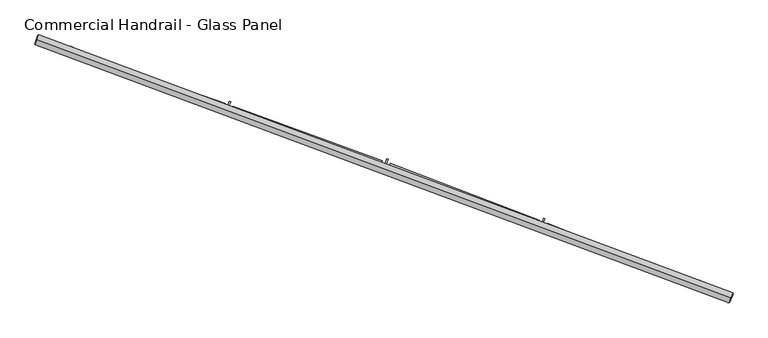
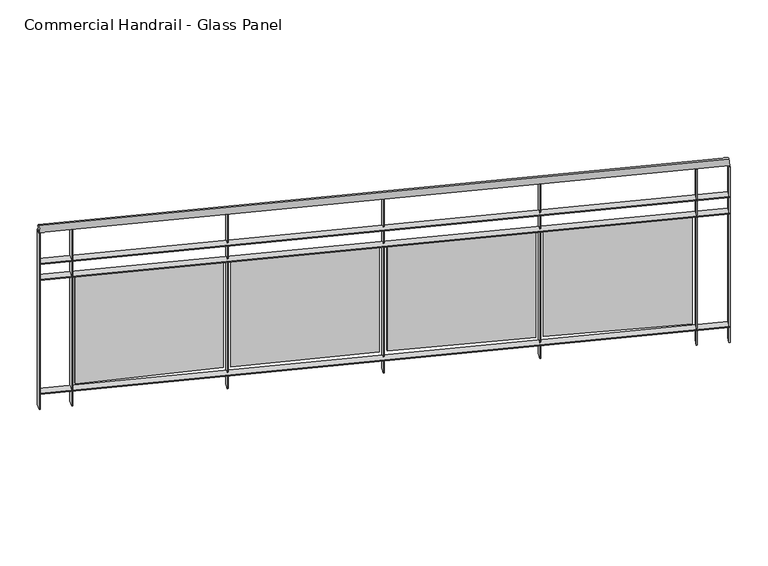
"""IFC4 building model written with IfcOpenShell, lengths in millimetres: railing geometry, Commercial Handrail - Glass Panel."""

from ifc_helpers import new_model, si_unit, point, frame, origin, place, context, project, spatial, polyline, circle_curve, ellipse_curve, trimmed, outline, extrude, source, transform, mapped, element, save
from ifc_brep_helpers import plane_surface, cylinder_surface, revolved_surface, advanced_brep


def commercial_handrail_glass_panel_bff54254(model_context):
    return source(origin(), model_context, "Body", "SolidModel", [
        advanced_brep(
        [(154688.5443704, -12503.5611776, 6082.5), (151378.1394206, -11272.5411914, 6082.5), (151378.1394206, -11272.5411914, 6117.5), (154688.5443704, -12503.5611776, 6117.5)],
        [
            (0, 1, circle_curve(frame((133423.8827296, -64620.9486284, 6082.5), z_axis=(0.0, 0.0, 1.0), x_axis=(0.31896783130581285, 0.9477655419944674, 0.0)), 56288.6126085)),
            (1, 2, ellipse_curve(frame((151378.1394206, -11272.5411914, 6100.0), z_axis=(0.9477655419944653, -0.3189678313058192, 0.0), x_axis=(-0.3189678313058192, -0.9477655419944653, 0.0)), 25.0, 17.5)),
            (2, 3, circle_curve(frame((133423.8827296, -64620.9486284, 6117.5), z_axis=(0.0, 0.0, -1.0), x_axis=(0.31896783130581285, 0.9477655419944674, 0.0)), 56288.6126085)),
            (3, 0, ellipse_curve(frame((154688.5443704, -12503.5611776, 6100.0), z_axis=(-0.9258957546749953, 0.37777910407382376, 0.0), x_axis=(-0.37777910407382376, -0.9258957546749953, 0.0)), 25.0, 17.5)),
            (2, 1, ellipse_curve(frame((151378.1394206, -11272.5411914, 6100.0), z_axis=(0.9477655419944653, -0.3189678313058192, 0.0), x_axis=(-0.3189678313058192, -0.9477655419944653, 0.0)), 25.0, 17.5)),
            (0, 3, ellipse_curve(frame((154688.5443704, -12503.5611776, 6100.0), z_axis=(-0.9258957546749953, 0.37777910407382376, 0.0), x_axis=(-0.37777910407382376, -0.9258957546749953, 0.0)), 25.0, 17.5)),
        ],
        [
            revolved_surface(trimmed(ellipse_curve(frame((151378.1394206, -11272.5411914, 6100.0), z_axis=(-0.9477655419944674, 0.31896783130581285, 0.0), x_axis=(0.0, 0.0, -1.0)), 17.5, 25.0), [point((151378.1394206, -11272.5411914, 6117.5))], [point((151378.1394206, -11272.5411914, 6082.5))], True, "CARTESIAN"), (133423.8827296, -64620.9486284, 6100.0), (0.0, 0.0, -1.0)),
            revolved_surface(trimmed(ellipse_curve(frame((151378.1394206, -11272.5411914, 6100.0), z_axis=(-0.9477655419944674, 0.31896783130581285, 0.0), x_axis=(0.0, 0.0, -1.0)), 17.5, 25.0), [point((151378.1394206, -11272.5411914, 6082.5))], [point((151378.1394206, -11272.5411914, 6117.5))], True, "CARTESIAN"), (133423.8827296, -64620.9486284, 6100.0), (0.0, 0.0, -1.0)),
            plane_surface(frame((151378.1394206, -11272.5411914, 6100.0), z_axis=(-0.9477655419944674, 0.31896783130581285, 0.0), x_axis=(0.31896783130581285, 0.9477655419944674, 0.0))),
            plane_surface(frame((154688.5443704, -12503.5611776, 6100.0), z_axis=(0.9258957546749954, -0.3777791040738237, 0.0), x_axis=(0.3777791040738237, 0.9258957546749954, 0.0))),
        ],
        [
            (0, [[1, 2, 3, 4]]),
            (1, [[-3, 5, -1, 6]]),
            (2, [[-2, -5]]),
            (3, [[-6, -4]]),
        ],
    ),
        advanced_brep(
        [(154697.0444003, -12482.7285231, 5900.0), (151385.3161968, -11251.2164667, 5900.0), (151370.9626444, -11293.865916, 5900.0), (154680.0443406, -12524.3938321, 5900.0), (154697.0444003, -12482.7285231, 5894.0), (151385.3161968, -11251.2164667, 5894.0), (154680.0443406, -12524.3938321, 5894.0), (151370.9626444, -11293.865916, 5894.0)],
        [
            (0, 1, circle_curve(frame((133423.8827296, -64620.9486284, 5900.0), z_axis=(0.0, 0.0, 1.0), x_axis=(0.31896783130581285, 0.9477655419944674, 0.0)), 56311.1126085)),
            (1, 2),
            (2, 3, circle_curve(frame((133423.8827296, -64620.9486284, 5900.0), z_axis=(0.0, 0.0, -1.0), x_axis=(0.31896783130581285, 0.9477655419944674, 0.0)), 56266.1126085)),
            (3, 0),
            (4, 5, circle_curve(frame((133423.8827296, -64620.9486284, 5894.0), z_axis=(0.0, 0.0, 1.0), x_axis=(0.31896783130581285, 0.9477655419944674, 0.0)), 56311.1126085)),
            (5, 1),
            (0, 4),
            (6, 7, circle_curve(frame((133423.8827296, -64620.9486284, 5894.0), z_axis=(0.0, 0.0, 1.0), x_axis=(0.31896783130581285, 0.9477655419944674, 0.0)), 56266.1126085)),
            (7, 5),
            (4, 6),
            (2, 7),
            (6, 3),
        ],
        [
            plane_surface(frame((133423.8827296, -64620.9486284, 5900.0), z_axis=(0.0, 0.0, 1.0), x_axis=(0.31896783130581285, 0.9477655419944674, 0.0))),
            cylinder_surface(frame((133423.8827296, -64620.9486284, 5900.0), z_axis=(0.0, 0.0, -1.0), x_axis=(0.31896783130581285, 0.9477655419944674, 0.0)), 56311.1126085),
            plane_surface(frame((133423.8827296, -64620.9486284, 5894.0), z_axis=(0.0, 0.0, -1.0), x_axis=(0.31896783130581285, 0.9477655419944674, 0.0))),
            revolved_surface(polyline([(151370.9626443419, -11293.865916083261, 5894.0), (151370.9626443419, -11293.865916083261, 5900.0)]), (133423.8827296, -64620.9486284, 5900.0), (0.0, 0.0, -1.0)),
            plane_surface(frame((151378.1394206, -11272.5411914, 5900.0), z_axis=(-0.9477655419944674, 0.31896783130581285, 0.0), x_axis=(0.31896783130581285, 0.9477655419944674, 0.0))),
            plane_surface(frame((154688.5443704, -12503.5611776, 5900.0), z_axis=(0.9258957546749954, -0.3777791040738237, 0.0), x_axis=(0.3777791040738237, 0.9258957546749954, 0.0))),
        ],
        [
            (0, [[1, 2, 3, 4]]),
            (1, [[5, 6, -1, 7]]),
            (2, [[8, 9, -5, 10]]),
            (3, [[-3, 11, -8, 12]]),
            (4, [[-2, -6, -9, -11]]),
            (5, [[-12, -10, -7, -4]]),
        ],
    ),
        advanced_brep(
        [(154697.0444003, -12482.7285231, 5800.0), (151385.3161968, -11251.2164667, 5800.0), (151370.9626444, -11293.865916, 5800.0), (154680.0443406, -12524.3938321, 5800.0), (154697.0444003, -12482.7285231, 5794.0), (151385.3161968, -11251.2164667, 5794.0), (154680.0443406, -12524.3938321, 5794.0), (151370.9626444, -11293.865916, 5794.0)],
        [
            (0, 1, circle_curve(frame((133423.8827296, -64620.9486284, 5800.0), z_axis=(0.0, 0.0, 1.0), x_axis=(0.31896783130581285, 0.9477655419944674, 0.0)), 56311.1126085)),
            (1, 2),
            (2, 3, circle_curve(frame((133423.8827296, -64620.9486284, 5800.0), z_axis=(0.0, 0.0, -1.0), x_axis=(0.31896783130581285, 0.9477655419944674, 0.0)), 56266.1126085)),
            (3, 0),
            (4, 5, circle_curve(frame((133423.8827296, -64620.9486284, 5794.0), z_axis=(0.0, 0.0, 1.0), x_axis=(0.31896783130581285, 0.9477655419944674, 0.0)), 56311.1126085)),
            (5, 1),
            (0, 4),
            (6, 7, circle_curve(frame((133423.8827296, -64620.9486284, 5794.0), z_axis=(0.0, 0.0, 1.0), x_axis=(0.31896783130581285, 0.9477655419944674, 0.0)), 56266.1126085)),
            (7, 5),
            (4, 6),
            (2, 7),
            (6, 3),
        ],
        [
            plane_surface(frame((133423.8827296, -64620.9486284, 5800.0), z_axis=(0.0, 0.0, 1.0), x_axis=(0.31896783130581285, 0.9477655419944674, 0.0))),
            cylinder_surface(frame((133423.8827296, -64620.9486284, 5800.0), z_axis=(0.0, 0.0, -1.0), x_axis=(0.31896783130581285, 0.9477655419944674, 0.0)), 56311.1126085),
            plane_surface(frame((133423.8827296, -64620.9486284, 5794.0), z_axis=(0.0, 0.0, -1.0), x_axis=(0.31896783130581285, 0.9477655419944674, 0.0))),
            revolved_surface(polyline([(151370.9626443419, -11293.865916083261, 5794.0), (151370.9626443419, -11293.865916083261, 5800.0)]), (133423.8827296, -64620.9486284, 5800.0), (0.0, 0.0, -1.0)),
            plane_surface(frame((151378.1394206, -11272.5411914, 5800.0), z_axis=(-0.9477655419944674, 0.31896783130581285, 0.0), x_axis=(0.31896783130581285, 0.9477655419944674, 0.0))),
            plane_surface(frame((154688.5443704, -12503.5611776, 5800.0), z_axis=(0.9258957546749954, -0.3777791040738237, 0.0), x_axis=(0.3777791040738237, 0.9258957546749954, 0.0))),
        ],
        [
            (0, [[1, 2, 3, 4]]),
            (1, [[5, 6, -1, 7]]),
            (2, [[8, 9, -5, 10]]),
            (3, [[-3, 11, -8, 12]]),
            (4, [[-2, -6, -9, -11]]),
            (5, [[-12, -10, -7, -4]]),
        ],
    ),
        advanced_brep(
        [(154697.0444003, -12482.7285231, 5100.0), (151385.3161968, -11251.2164667, 5100.0), (151370.9626444, -11293.865916, 5100.0), (154680.0443406, -12524.3938321, 5100.0), (154697.0444003, -12482.7285231, 5094.0), (151385.3161968, -11251.2164667, 5094.0), (154680.0443406, -12524.3938321, 5094.0), (151370.9626444, -11293.865916, 5094.0)],
        [
            (0, 1, circle_curve(frame((133423.8827296, -64620.9486284, 5100.0), z_axis=(0.0, 0.0, 1.0), x_axis=(0.31896783130581285, 0.9477655419944674, 0.0)), 56311.1126085)),
            (1, 2),
            (2, 3, circle_curve(frame((133423.8827296, -64620.9486284, 5100.0), z_axis=(0.0, 0.0, -1.0), x_axis=(0.31896783130581285, 0.9477655419944674, 0.0)), 56266.1126085)),
            (3, 0),
            (4, 5, circle_curve(frame((133423.8827296, -64620.9486284, 5094.0), z_axis=(0.0, 0.0, 1.0), x_axis=(0.31896783130581285, 0.9477655419944674, 0.0)), 56311.1126085)),
            (5, 1),
            (0, 4),
            (6, 7, circle_curve(frame((133423.8827296, -64620.9486284, 5094.0), z_axis=(0.0, 0.0, 1.0), x_axis=(0.31896783130581285, 0.9477655419944674, 0.0)), 56266.1126085)),
            (7, 5),
            (4, 6),
            (2, 7),
            (6, 3),
        ],
        [
            plane_surface(frame((133423.8827296, -64620.9486284, 5100.0), z_axis=(0.0, 0.0, 1.0), x_axis=(0.31896783130581285, 0.9477655419944674, 0.0))),
            cylinder_surface(frame((133423.8827296, -64620.9486284, 5100.0), z_axis=(0.0, 0.0, -1.0), x_axis=(0.31896783130581285, 0.9477655419944674, 0.0)), 56311.1126085),
            plane_surface(frame((133423.8827296, -64620.9486284, 5094.0), z_axis=(0.0, 0.0, -1.0), x_axis=(0.31896783130581285, 0.9477655419944674, 0.0))),
            revolved_surface(polyline([(151370.9626443419, -11293.865916083261, 5094.0), (151370.9626443419, -11293.865916083261, 5100.0)]), (133423.8827296, -64620.9486284, 5100.0), (0.0, 0.0, -1.0)),
            plane_surface(frame((151378.1394206, -11272.5411914, 5100.0), z_axis=(-0.9477655419944674, 0.31896783130581285, 0.0), x_axis=(0.31896783130581285, 0.9477655419944674, 0.0))),
            plane_surface(frame((154688.5443704, -12503.5611776, 5100.0), z_axis=(0.9258957546749954, -0.3777791040738237, 0.0), x_axis=(0.3777791040738237, 0.9258957546749954, 0.0))),
        ],
        [
            (0, [[1, 2, 3, 4]]),
            (1, [[5, 6, -1, 7]]),
            (2, [[8, 9, -5, 10]]),
            (3, [[-3, 11, -8, 12]]),
            (4, [[-2, -6, -9, -11]]),
            (5, [[-12, -10, -7, -4]]),
        ],
    ),
        extrude(outline(polyline([(154523.3199189, -12460.722523), (154540.1968592, -12419.0071914), (154545.7589034, -12421.2574501), (154528.8819631, -12462.9727817), (154523.3199189, -12460.722523)])), frame((0.0, 0.0, 5000.0), z_axis=(0.0, 0.0, 1.0), x_axis=(1.0, 0.0, 0.0)), (0.0, 0.0, 1.0), 1082.1192282),
        extrude(outline(polyline([(153812.1505834, -12146.7040634), (154518.6838869, -12426.7231539), (154514.2625328, -12437.8789429), (153807.7292294, -12157.8598524), (153812.1505834, -12146.7040634)])), frame((0.0, 0.0, 5120.0), z_axis=(0.0, 0.0, 1.0), x_axis=(1.0, 0.0, 0.0)), (0.0, 0.0, 1.0), 660.0),
        extrude(outline(polyline([(153779.8884832, -12166.1255247), (153796.1708612, -12124.1745514), (153801.7643243, -12126.3455351), (153785.4819463, -12168.2965085), (153779.8884832, -12166.1255247)])), frame((0.0, 0.0, 5000.0), z_axis=(0.0, 0.0, 1.0), x_axis=(1.0, 0.0, 0.0)), (0.0, 0.0, 1.0), 1082.1192282),
        extrude(outline(polyline([(153064.3281461, -11862.2459094), (153774.7697208, -12132.1954767), (153770.5073592, -12143.4129753), (153060.0657845, -11873.463408), (153064.3281461, -11862.2459094)])), frame((0.0, 0.0, 5120.0), z_axis=(0.0, 0.0, 1.0), x_axis=(1.0, 0.0, 0.0)), (0.0, 0.0, 1.0), 660.0),
        extrude(outline(polyline([(153032.3453218, -11882.1239179), (153048.0298486, -11839.9457764), (153053.6536008, -11842.0370466), (153037.969074, -11884.2151881), (153032.3453218, -11882.1239179)])), frame((0.0, 0.0, 5000.0), z_axis=(0.0, 0.0, 1.0), x_axis=(1.0, 0.0, 0.0)), (0.0, 0.0, 1.0), 1082.1192282),
        extrude(outline(polyline([(152312.5385196, -11588.4445277), (153026.7448629, -11848.2700444), (153022.6423547, -11859.5469867), (152308.4360114, -11599.7214699), (152312.5385196, -11588.4445277)])), frame((0.0, 0.0, 5120.0), z_axis=(0.0, 0.0, 1.0), x_axis=(1.0, 0.0, 0.0)), (0.0, 0.0, 1.0), 660.0),
        extrude(outline(polyline([(152280.8414314, -11608.775068), (152295.9249389, -11566.378278), (152301.5778442, -11568.3894124), (152286.4943367, -11610.7862024), (152280.8414314, -11608.775068)])), frame((0.0, 0.0, 5000.0), z_axis=(0.0, 0.0, 1.0), x_axis=(1.0, 0.0, 0.0)), (0.0, 0.0, 1.0), 1082.1192282),
        extrude(outline(polyline([(151556.9335585, -11325.3552235), (152274.7604073, -11575.0042073), (152270.8185812, -11586.3383154), (151552.9917324, -11336.6893316), (151556.9335585, -11325.3552235)])), frame((0.0, 0.0, 5120.0), z_axis=(0.0, 0.0, 1.0), x_axis=(1.0, 0.0, 0.0)), (0.0, 0.0, 1.0), 660.0),
        extrude(outline(polyline([(151525.528609, -11346.1341892), (151540.0080505, -11303.5273144), (151545.6889671, -11305.4579066), (151531.2095256, -11348.0647814), (151525.528609, -11346.1341892)])), frame((0.0, 0.0, 5000.0), z_axis=(0.0, 0.0, 1.0), x_axis=(1.0, 0.0, 0.0)), (0.0, 0.0, 1.0), 1082.1192282),
        extrude(outline(polyline([(154677.2666533, -12523.2604948), (154694.266713, -12481.5951858), (154699.8220875, -12483.8618604), (154682.8220279, -12525.5271694), (154677.2666533, -12523.2604948)])), frame((0.0, 0.0, 5000.0), z_axis=(0.0, 0.0, 1.0), x_axis=(1.0, 0.0, 0.0)), (0.0, 0.0, 1.0), 1082.1192282),
        extrude(outline(polyline([(151368.1193477, -11292.9090126), (151382.4729002, -11250.2595632), (151388.1594934, -11252.1733702), (151373.805941, -11294.8228195), (151368.1193477, -11292.9090126)])), frame((0.0, 0.0, 5000.0), z_axis=(0.0, 0.0, 1.0), x_axis=(1.0, 0.0, 0.0)), (0.0, 0.0, 1.0), 1082.1192282),
    ])


if __name__ == "__main__":
    model = new_model("IFC4")
    model_context = context("Model", 3, world=origin())
    ifc_project = project(units=[si_unit("LENGTHUNIT", "METRE", prefix="MILLI")], contexts=[model_context])
    site = spatial("IfcSite", under=ifc_project)
    building = spatial("IfcBuilding", under=site)
    placement = place(None, origin())
    commercial_handrail_glass_panel_shape = commercial_handrail_glass_panel_bff54254(model_context)
    element("IfcRailing", 1, ObjectType="Commercial Handrail - Glass Panel", at=placement, inside=building, context=model_context, shape_type="MappedRepresentation", body=[
        mapped(commercial_handrail_glass_panel_shape, transform((0.0, 0.0, 0.0), x_axis=(1.0, 0.0, 0.0), y_axis=(0.0, 1.0, 0.0), z_axis=(0.0, 0.0, 1.0))),
    ])
    save(model, "model.ifc")
